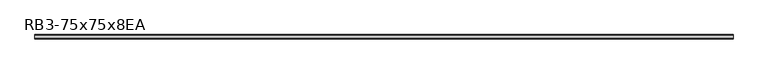
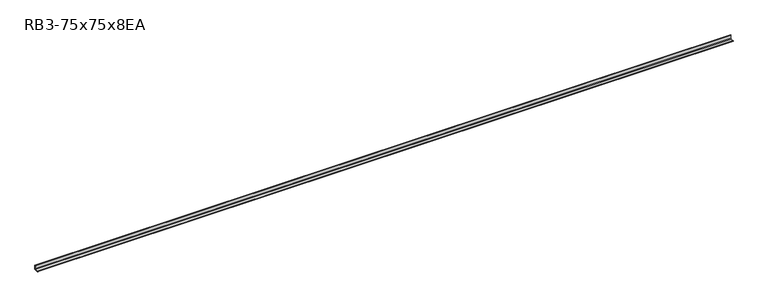
"""IFC4 building model written with IfcOpenShell, lengths in millimetres: member geometry, RB3-75x75x8EA."""

from ifc_helpers import new_model, si_unit, point, frame, frame_2d, origin, place, context, project, spatial, polyline, circle_curve, trimmed, segment, composite_curve, outline, extrude, source, transform, mapped, element, save


def rb3_75x75x8ea_3948f5e1(model_context):
    return source(origin(), model_context, "Body", "SweptSolid", [
        extrude(outline(composite_curve([segment(polyline([(21.3, -21.3), (-53.7, -21.3), (-53.7, -18.3)]), True, "CONTINUOUS"), segment(trimmed(circle_curve(frame_2d((-48.7, -18.3)), 5.0), [point((-53.7, -18.3))], [point((-48.7, -13.3))], False, "CARTESIAN"), True, "CONTINUOUS"), segment(polyline([(-48.7, -13.3), (5.3, -13.3)]), True, "CONTINUOUS"), segment(trimmed(circle_curve(frame_2d((5.3, -5.3)), 8.0), [point((5.3, -13.3))], [point((13.3, -5.3))], True, "CARTESIAN"), True, "CONTINUOUS"), segment(polyline([(13.3, -5.3), (13.3, 48.7)]), True, "CONTINUOUS"), segment(trimmed(circle_curve(frame_2d((18.3, 48.7)), 5.0), [point((13.3, 48.7))], [point((18.3, 53.7))], False, "CARTESIAN"), True, "CONTINUOUS"), segment(polyline([(18.3, 53.7), (21.3, 53.7), (21.3, -21.3)]), True, "CONTINUOUS")], self_intersect=False)), frame((-6196.5, 0.0, 0.0), z_axis=(1.0, 0.0, 0.0), x_axis=(0.0, 1.0, 0.0)), (0.0, 0.0, 1.0), 12158.3012301),
    ])


if __name__ == "__main__":
    model = new_model("IFC4")
    model_context = context("Model", 3, world=origin())
    ifc_project = project(units=[si_unit("LENGTHUNIT", "METRE", prefix="MILLI")], contexts=[model_context])
    site = spatial("IfcSite", under=ifc_project)
    building = spatial("IfcBuilding", under=site)
    placement = place(None, origin())
    rb3_75x75x8ea_shape = rb3_75x75x8ea_3948f5e1(model_context)
    element("IfcMember", 1, ObjectType="RB3-75x75x8EA", at=placement, inside=building, context=model_context, shape_type="MappedRepresentation", body=[
        mapped(rb3_75x75x8ea_shape, transform((0.0, 0.0, 0.0), x_axis=(1.0, 0.0, 0.0), y_axis=(0.0, 1.0, 0.0), z_axis=(0.0, 0.0, 1.0))),
    ])
    save(model, "model.ifc")
